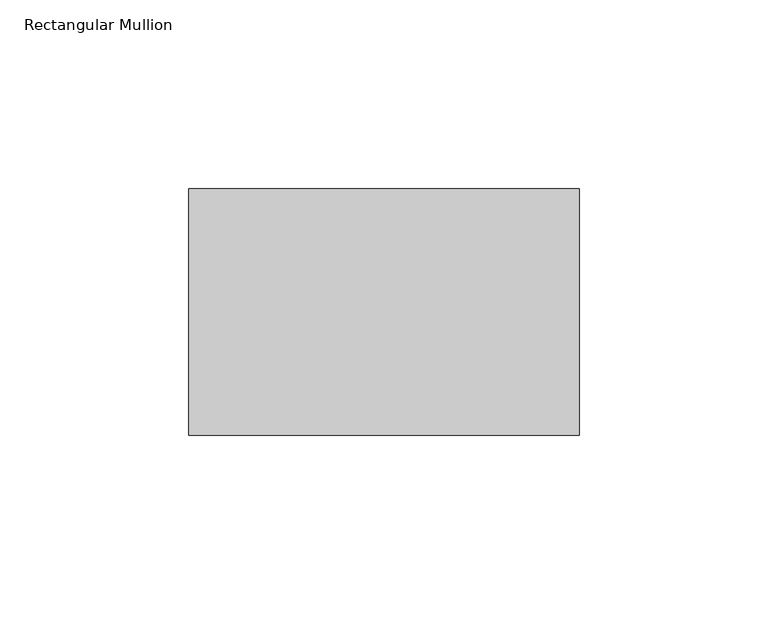
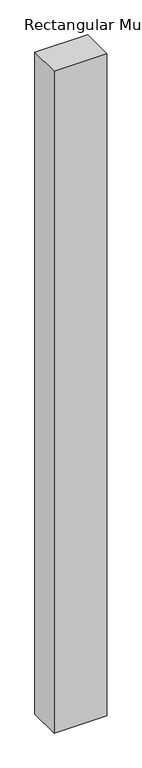
"""IFC4 building model written with IfcOpenShell, lengths in millimetres: member geometry, Rectangular Mullion."""

from ifc_helpers import new_model, si_unit, frame, origin, place, context, project, spatial, polyline, outline, extrude, source, transform, mapped, element, save


def rectangular_mullion_d3f2ca83(model_context):
    return source(origin(), model_context, "Body", "SweptSolid", [
        extrude(outline(polyline([(51.59375, -39.6875), (-51.59375, -39.6875), (-51.59375, 25.4), (51.59375, 25.4), (51.59375, -39.6875)])), frame((0.0, 0.0, -1369.21875), z_axis=(0.0, 0.0, 1.0), x_axis=(1.0, 0.0, 0.0)), (0.0, 0.0, 1.0), 1369.21875),
    ])


if __name__ == "__main__":
    model = new_model("IFC4")
    model_context = context("Model", 3, world=origin())
    ifc_project = project(units=[si_unit("LENGTHUNIT", "METRE", prefix="MILLI")], contexts=[model_context])
    site = spatial("IfcSite", under=ifc_project)
    building = spatial("IfcBuilding", under=site)
    placement = place(None, origin())
    rectangular_mullion_shape = rectangular_mullion_d3f2ca83(model_context)
    element("IfcMember", 1, ObjectType="Rectangular Mullion", at=placement, inside=building, context=model_context, shape_type="MappedRepresentation", body=[
        mapped(rectangular_mullion_shape, transform((0.0, 0.0, 0.0), x_axis=(1.0, 0.0, 0.0), y_axis=(0.0, 1.0, 0.0), z_axis=(0.0, 0.0, 1.0))),
    ])
    save(model, "model.ifc")
